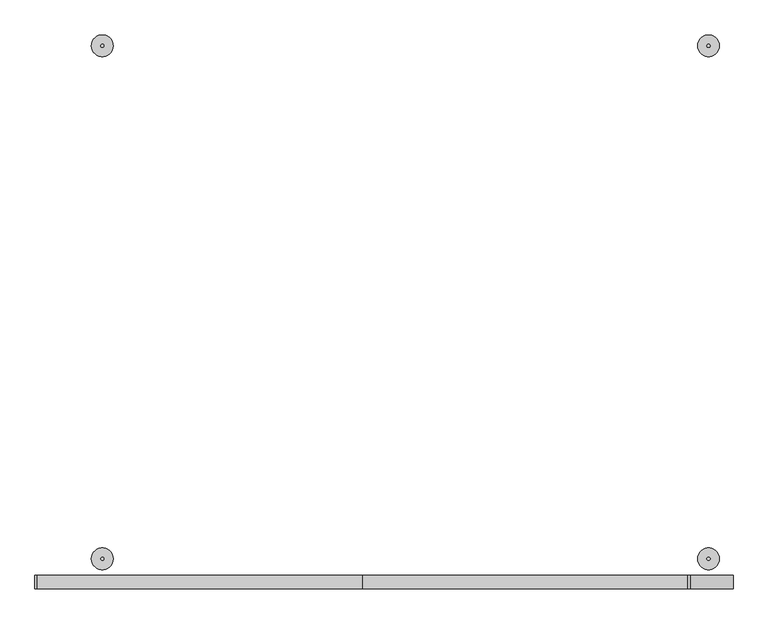
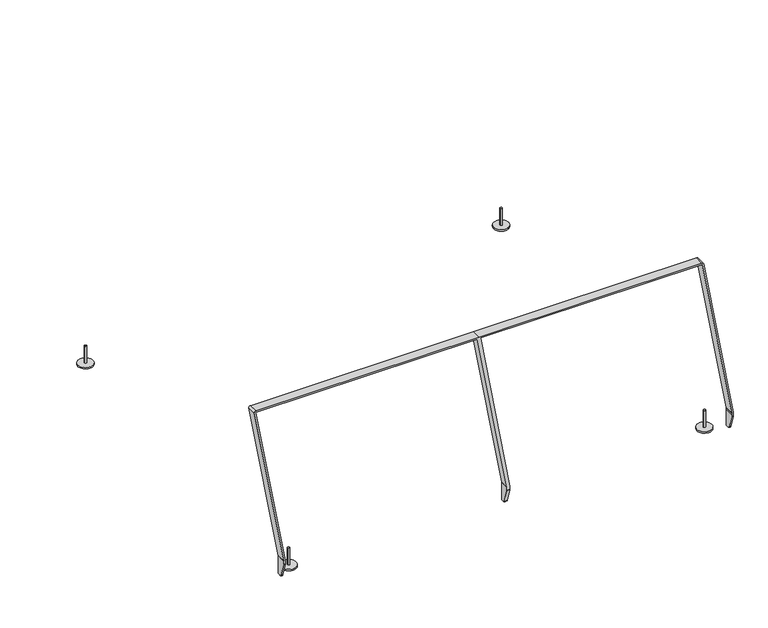
"""IFC4 building model written with IfcOpenShell, lengths in millimetres: furniture geometry."""

import ifcopenshell
import ifcopenshell.guid

model = None  # the IFC model being written
_history = None  # IfcOwnerHistory: only IFC2X3 demands one
_inside = {}  # id of a spatial element -> (the spatial element, [elements in it])
_under = {}  # id of a project, library or spatial element -> (it, [spatial elements below it])
_declared = {}  # id of a project -> (the project, [libraries it declares])
_typed = {}  # id of a type object -> (the type object, [elements of that type])
_made_of = {}  # id of a material, layer set ... -> (it, [elements and type objects made of it])


def new_model(schema):
    """Start an empty IFC model of exactly this schema.

    Asked for "IFC4X3", IfcOpenShell would pick the latest addendum, in which some entities
    have other attributes; the version numbers below select the first issue.
    IFC2X3 requires an IfcOwnerHistory on every rooted entity: one is made here for all.
    """
    global model, _history
    if schema == "IFC4X3":
        model = ifcopenshell.file(schema_version=(4, 3, 0, 0))
    else:
        model = ifcopenshell.file(schema=schema)
    _inside.clear()
    _under.clear()
    _declared.clear()
    _typed.clear()
    _made_of.clear()
    _history = None
    if model.schema == "IFC2X3":
        org = make("IfcOrganization", Name="unknown")
        user = make(
            "IfcPersonAndOrganization",
            ThePerson=make("IfcPerson", FamilyName="unknown"),
            TheOrganization=org,
        )
        app = make(
            "IfcApplication",
            ApplicationDeveloper=org,
            Version="unknown",
            ApplicationFullName="unknown",
            ApplicationIdentifier="unknown",
        )
        _history = make(
            "IfcOwnerHistory",
            OwningUser=user,
            OwningApplication=app,
            ChangeAction="ADDED",
            CreationDate=0,
        )
    return model


def make(cls, **values):
    """One entity of the class cls with the attributes given. An attribute that is None is left unset."""
    return model.create_entity(
        cls, **{name: value for name, value in values.items() if value is not None}
    )


def rooted(cls, **values):
    """An entity with a GlobalId (a new one), such as an element, a storey or a relation."""
    return make(cls, GlobalId=ifcopenshell.guid.new(), OwnerHistory=_history, **values)


def si_unit(unit_type, name, prefix=None):
    """IfcSIUnit, for example si_unit("LENGTHUNIT", "METRE", prefix="MILLI")."""
    return make("IfcSIUnit", UnitType=unit_type, Prefix=prefix, Name=name)


def assignment(units):
    """IfcUnitAssignment: the units of a project."""
    return None if units is None else make("IfcUnitAssignment", Units=units)


def point(xyz):
    """IfcCartesianPoint."""
    return None if xyz is None else make("IfcCartesianPoint", Coordinates=xyz)


def direction(xyz):
    """IfcDirection."""
    return None if xyz is None else make("IfcDirection", DirectionRatios=xyz)


def frame(location, z_axis=None, x_axis=None):
    """IfcAxis2Placement3D, a coordinate frame: its origin and axes. An axis left out is left unset."""
    return make(
        "IfcAxis2Placement3D",
        Location=point(location),
        Axis=direction(z_axis),
        RefDirection=direction(x_axis),
    )


def frame_2d(location, x_axis=None):
    """IfcAxis2Placement2D, a coordinate frame in the plane: its origin and x axis."""
    return make(
        "IfcAxis2Placement2D", Location=point(location), RefDirection=direction(x_axis)
    )


def origin():
    """The frame at (0, 0, 0) with its axes left unset."""
    return frame((0.0, 0.0, 0.0))


def origin_with_axes():
    """The frame at (0, 0, 0) with the z axis (0, 0, 1) and the x axis (1, 0, 0) written out."""
    return frame((0.0, 0.0, 0.0), z_axis=(0.0, 0.0, 1.0), x_axis=(1.0, 0.0, 0.0))


def place(relative_to, where):
    """IfcLocalPlacement: puts the frame where relative to a parent placement (None: the world)."""
    return make(
        "IfcLocalPlacement", PlacementRelTo=relative_to, RelativePlacement=where
    )


def context(
    kind, dimensions, precision=None, world=None, true_north=None, identifier=None
):
    """IfcGeometricRepresentationContext, for example the 3D "Model" context."""
    return make(
        "IfcGeometricRepresentationContext",
        ContextIdentifier=identifier,
        ContextType=kind,
        CoordinateSpaceDimension=dimensions,
        Precision=precision,
        WorldCoordinateSystem=world,
        TrueNorth=true_north,
    )


def project(units=None, contexts=None):
    """IfcProject with its units and contexts."""
    return rooted(
        "IfcProject",
        Name="project",
        RepresentationContexts=contexts,
        UnitsInContext=assignment(units),
    )


def spatial(cls, under=None, at=None, **own):
    """A site, building, storey or space (cls), placed at a placement, below another one or the project."""
    s = rooted(cls, ObjectPlacement=at, **own)
    if under is not None:
        _under.setdefault(under.id(), (under, []))[1].append(s)
    return s


def polyline(points):
    """IfcPolyline through the points."""
    return make("IfcPolyline", Points=[point(p) for p in points])


def circle_curve(where, radius):
    """IfcCircle in the frame where."""
    return make("IfcCircle", Position=where, Radius=radius)


def trimmed(basis, trim1, trim2, sense, master):
    """IfcTrimmedCurve: the piece of a basis curve between two trims."""
    return make(
        "IfcTrimmedCurve",
        BasisCurve=basis,
        Trim1=trim1,
        Trim2=trim2,
        SenseAgreement=sense,
        MasterRepresentation=master,
    )


def segment(curve, same_sense, transition):
    """IfcCompositeCurveSegment."""
    return make(
        "IfcCompositeCurveSegment",
        Transition=transition,
        SameSense=same_sense,
        ParentCurve=curve,
    )


def composite_curve(segments, self_intersect=None):
    """IfcCompositeCurve: segments joined end to end."""
    return make("IfcCompositeCurve", Segments=segments, SelfIntersect=self_intersect)


def outline(outer, holes=None, kind="AREA"):
    """IfcArbitraryClosedProfileDef: a profile drawn as a closed curve; with holes, ...WithVoids."""
    if holes is None:
        return make("IfcArbitraryClosedProfileDef", ProfileType=kind, OuterCurve=outer)
    return make(
        "IfcArbitraryProfileDefWithVoids",
        ProfileType=kind,
        OuterCurve=outer,
        InnerCurves=holes,
    )


def extrude(swept, where, along, depth):
    """IfcExtrudedAreaSolid: the profile swept, set in the frame where, extruded along a direction by depth."""
    return make(
        "IfcExtrudedAreaSolid",
        SweptArea=swept,
        Position=where,
        ExtrudedDirection=direction(along),
        Depth=depth,
    )


def shape(context_of_items, identifier, shape_type, items):
    """IfcShapeRepresentation: the items that make up one representation, for example the "Body"."""
    return make(
        "IfcShapeRepresentation",
        ContextOfItems=context_of_items,
        RepresentationIdentifier=identifier,
        RepresentationType=shape_type,
        Items=items,
    )


def source(mapping_origin, context_of_items, identifier, shape_type, items):
    """IfcRepresentationMap: a shape defined once, which mapped items show again and again."""
    return make(
        "IfcRepresentationMap",
        MappingOrigin=mapping_origin,
        MappedRepresentation=shape(context_of_items, identifier, shape_type, items),
    )


def transform(
    local_origin,
    x_axis=None,
    y_axis=None,
    z_axis=None,
    scale=None,
    scale2=None,
    scale3=None,
    uniform=True,
):
    """IfcCartesianTransformationOperator3D, or its non-uniform kind. x_axis, y_axis, z_axis: its Axis1, 2, 3."""
    if uniform:
        return make(
            "IfcCartesianTransformationOperator3D",
            Axis1=direction(x_axis),
            Axis2=direction(y_axis),
            LocalOrigin=point(local_origin),
            Scale=scale,
            Axis3=direction(z_axis),
        )
    return make(
        "IfcCartesianTransformationOperator3DnonUniform",
        Axis1=direction(x_axis),
        Axis2=direction(y_axis),
        LocalOrigin=point(local_origin),
        Scale=scale,
        Axis3=direction(z_axis),
        Scale2=scale2,
        Scale3=scale3,
    )


def mapped(mapping_source, mapping_target):
    """IfcMappedItem: shows the shape of a source again, moved by a transform."""
    return make(
        "IfcMappedItem", MappingSource=mapping_source, MappingTarget=mapping_target
    )


def made_of(thing, what):
    """Note that an element or type object is made of a material, layer set ...; save() writes the relation."""
    if what is not None:
        _made_of.setdefault(what.id(), (what, []))[1].append(thing)
    return thing


def element(
    cls,
    number,
    at=None,
    inside=None,
    cuts=None,
    type_object=None,
    material=None,
    context=None,
    identifier="Body",
    shape_type=None,
    held_by="IfcProductDefinitionShape",
    body=None,
    shapes=None,
    **own,
):
    """One element of the class cls, such as IfcWall. Its Tag is "e" and its number.

    at: its placement. inside: the storey or other place that contains it. cuts: it is an
    opening in that element (IfcRelVoidsElement). A single representation is given by context,
    identifier, shape_type and body (its items); several are given by shapes. held_by: the class
    of the entity that holds the representations. save() writes the other relations.
    """
    e = rooted(cls, Tag="e%d" % number, ObjectPlacement=at, **own)
    if body is not None:
        shapes = [shape(context, identifier, shape_type, body)]
    if shapes is not None:
        e.Representation = make(held_by, Representations=shapes)
    if inside is not None:
        _inside.setdefault(inside.id(), (inside, []))[1].append(e)
    if cuts is not None:
        rooted(
            "IfcRelVoidsElement", RelatingBuildingElement=cuts, RelatedOpeningElement=e
        )
    if type_object is not None:
        _typed.setdefault(type_object.id(), (type_object, []))[1].append(e)
    return made_of(e, material)


def aggregate(whole, parts):
    """IfcRelAggregates: a whole, such as a stair, and the parts it consists of."""
    return rooted("IfcRelAggregates", RelatingObject=whole, RelatedObjects=parts)


def save(model, path):
    """Write the relations noted so far, then the file.

    IfcRelAggregates (storeys below a building ...), IfcRelContainedInSpatialStructure (elements
    in a storey), IfcRelDefinesByType, IfcRelAssociatesMaterial and IfcRelDeclares: one each for
    every whole, place, type object, material and project.
    """
    for whole, parts in _under.values():
        aggregate(whole, parts)
    for where, things in _inside.values():
        rooted(
            "IfcRelContainedInSpatialStructure",
            RelatedElements=things,
            RelatingStructure=where,
        )
    for kind, things in _typed.values():
        rooted("IfcRelDefinesByType", RelatedObjects=things, RelatingType=kind)
    for what, things in _made_of.values():
        rooted("IfcRelAssociatesMaterial", RelatedObjects=things, RelatingMaterial=what)
    for by, libraries in _declared.values():
        rooted("IfcRelDeclares", RelatingContext=by, RelatedDefinitions=libraries)
    model.write(path)


def plane_surface(at):
    """IfcPlane: the flat surface through the origin of the frame at, square to its z axis."""
    return make("IfcPlane", Position=at)


def cylinder_surface(at, radius):
    """IfcCylindricalSurface: all points at the distance radius from the z axis of the frame at."""
    return make("IfcCylindricalSurface", Position=at, Radius=radius)


def revolved_surface(curve, axis_point, axis_direction):
    """IfcSurfaceOfRevolution: the curve turned about the line through axis_point along axis_direction."""
    return make(
        "IfcSurfaceOfRevolution",
        SweptCurve=make("IfcArbitraryOpenProfileDef", ProfileType="CURVE", Curve=curve),
        AxisPosition=make("IfcAxis1Placement", Location=point(axis_point), Axis=direction(axis_direction)),
    )


def advanced_brep(points, edges, surfaces, faces):
    """IfcAdvancedBrep: a solid bounded by faces that lie on surfaces and meet in shared edges.

    An edge is (start, end): straight between two places in points (the first is 0);
    or (start, end, curve); or (start, end, curve, False) where it runs against its curve.
    A face is (place in surfaces, loops), or (place, loops, False) where it looks against
    its surface's normal. A loop lists edges by number (the first is 1), with a minus sign
    where the edge is run from its end to its start. The first loop is the outer one.
    """
    corners = [point(p) for p in points]
    vertices = [make("IfcVertexPoint", VertexGeometry=c) for c in corners]
    made = []
    for start, end, *more in edges:
        made.append(
            make(
                "IfcEdgeCurve",
                EdgeStart=vertices[start],
                EdgeEnd=vertices[end],
                EdgeGeometry=more[0] if more else make("IfcPolyline", Points=[corners[start], corners[end]]),
                SameSense=more[1] if len(more) > 1 else True,
            )
        )
    hull = []
    for where, loops, *sense in faces:
        bounds = []
        for j, loop in enumerate(loops):
            ring = [make("IfcOrientedEdge", EdgeElement=made[abs(k) - 1], Orientation=k > 0) for k in loop]
            bounds.append(
                make(
                    "IfcFaceOuterBound" if j == 0 else "IfcFaceBound",
                    Bound=make("IfcEdgeLoop", EdgeList=ring),
                    Orientation=True,
                )
            )
        hull.append(make("IfcAdvancedFace", Bounds=bounds, FaceSurface=surfaces[where], SameSense=sense[0] if sense else True))
    return make("IfcAdvancedBrep", Outer=make("IfcClosedShell", CfsFaces=hull))


def furniture_75eca39f(model_context):
    return source(origin(), model_context, "Body", "SolidModel", [
        advanced_brep(
        [(-1191.8516588, -1050.0129851, 125.3875338), (-1191.9578235, -1050.0129851, 126.6010018), (-1348.8000739, -1050.0129851, 1016.0976054), (-1347.7911451, -1050.0129851, 1017.3), (-166.0914842, -1050.0129851, 1017.3), (-165.1143401, -1050.0129851, 1016.4800787), (-7.9248581, -1050.0129851, 125.0142275), (-7.8518346, -1050.0129851, 124.1795652), (-7.8518346, -1050.0129851, 115.3), (-7.8518346, -1050.0129851, 106.8261092), (8.0001759, -1050.0129851, 106.8261092), (8.0001759, -1050.0129851, 115.3), (8.0001759, -1050.0129851, 125.3875338), (7.8940112, -1050.0129851, 126.6010018), (-148.9482393, -1050.0129851, 1016.0976054), (-147.9393104, -1050.0129851, 1017.3), (1033.7603504, -1050.0129851, 1017.3), (1034.7374946, -1050.0129851, 1016.4800787), (1191.9269765, -1050.0129851, 125.0142275), (1192.0, -1050.0129851, 124.1795652), (1192.0, -1050.0129851, 115.3), (1192.0, -1050.0129851, 106.8261092), (1199.9999759, -1050.0129851, 106.8261092), (1199.9999759, -1050.0129851, 115.3), (1199.9999759, -1050.0129851, 124.3346382), (1199.8323188, -1050.0129851, 126.2509671), (1042.6119239, -1050.0129851, 1017.8921345), (1033.7835736, -1050.0129851, 1025.3), (-158.9026224, -1050.0129851, 1025.3), (-1347.8411199, -1050.0129851, 1025.3), (-1356.687214, -1050.0129851, 1014.7576355), (-1200.0702365, -1050.0129851, 126.5386183), (-1199.9998, -1050.0129851, 125.7335261), (-1199.9998, -1050.0129851, 115.3), (-1199.9998, -1050.0129851, 106.8261092), (-1191.8516588, -1050.0129851, 106.8261092), (-1191.8516588, -1050.0129851, 115.3), (-1199.9998, -1000.0129851, 25.3), (-1199.9998, -1000.0129851, 125.7335261), (-1200.0702365, -1000.0129851, 126.5386183), (-1356.687214, -1000.0129851, 1014.7576355), (-1347.8411199, -1000.0129851, 1025.3), (-158.9026224, -1000.0129851, 1025.3), (1033.7835736, -1000.0129851, 1025.3), (1042.6119239, -1000.0129851, 1017.8921345), (1199.8323188, -1000.0129851, 126.2509671), (1199.9999759, -1000.0129851, 124.3346382), (1199.9999759, -1000.0129851, 115.3), (1199.9999759, -1000.0129851, 25.3), (1192.0, -1000.0129851, 25.3), (1192.0, -1000.0129851, 115.3), (1192.0, -1000.0129851, 124.1795652), (1191.9269765, -1000.0129851, 125.0142275), (1034.7374946, -1000.0129851, 1016.4800787), (1033.7603504, -1000.0129851, 1017.3), (-147.9393104, -1000.0129851, 1017.3), (-148.9482393, -1000.0129851, 1016.0976054), (7.8940112, -1000.0129851, 126.6010018), (8.0001759, -1000.0129851, 125.3875338), (8.0001759, -1000.0129851, 115.3), (8.0001759, -1000.0129851, 25.3), (0.0, -1000.0129851, 25.3), (-7.8518346, -1000.0129851, 25.3), (-7.8518346, -1000.0129851, 124.1795652), (-7.9248581, -1000.0129851, 125.0142275), (-165.1143401, -1000.0129851, 1016.4800787), (-166.0914842, -1000.0129851, 1017.3), (-1347.7911451, -1000.0129851, 1017.3), (-1348.8000739, -1000.0129851, 1016.0976054), (-1191.9578235, -1000.0129851, 126.6010018), (-1191.8516588, -1000.0129851, 125.3875338), (-1191.8516588, -1000.0129851, 25.3), (-1191.8516588, -1008.0129851, 25.3), (-1191.8516588, -1019.1314577, 25.3), (-1199.9998, -1019.1314577, 25.3), (-1199.9998, -1008.0129851, 25.3), (-1191.8516588, -1049.5577848, 103.8433593), (-1191.8516588, -1026.7672976, 30.9138001), (-7.8518346, -1008.0129851, 25.3), (-7.8518346, -1019.1314577, 25.3), (-7.8518346, -1026.7672976, 30.9138001), (-7.8518346, -1049.5577848, 103.8433593), (0.0, -1008.0129851, 25.3), (0.0, -1019.1314577, 25.3), (-1199.9998, -1026.7672976, 30.9138001), (-1199.9998, -1049.5577848, 103.8433593), (8.0001759, -1026.7672976, 30.9138001), (8.0001759, -1049.5577848, 103.8433593), (1192.0, -1026.7672976, 30.9138001), (1199.9999759, -1026.7672976, 30.9138001), (1199.9999759, -1049.5577848, 103.8433593), (1192.0, -1049.5577848, 103.8433593), (8.0001759, -1019.1314577, 25.3), (1192.0, -1019.1314577, 25.3), (1199.9999759, -1019.1314577, 25.3), (8.0001759, -1008.0129851, 25.3), (1192.0, -1008.0129851, 25.3), (1199.9999759, -1008.0129851, 25.3)],
        [
            (0, 1, circle_curve(frame((-1198.8397427, -1050.0129851, 125.3875338), z_axis=(0.0, -1.0, 0.0), x_axis=(1.0, 0.0, 0.0)), 6.9880839)),
            (1, 2),
            (2, 3, circle_curve(frame((-1347.7911451, -1050.0129851, 1016.2755068), z_axis=(0.0, 1.0, 0.0), x_axis=(1.0, 0.0, 0.0)), 1.0244932)),
            (3, 4),
            (4, 5, circle_curve(frame((-166.0914842, -1050.0129851, 1016.3077818), z_axis=(0.0, 1.0, 0.0), x_axis=(1.0, 0.0, 0.0)), 0.9922182)),
            (5, 6),
            (6, 7, circle_curve(frame((-12.6584634, -1050.0129851, 124.1795652), z_axis=(0.0, 1.0, 0.0), x_axis=(1.0, 0.0, 0.0)), 4.8066287)),
            (7, 8),
            (8, 9),
            (9, 10),
            (10, 11),
            (11, 12),
            (12, 13, circle_curve(frame((1.012092, -1050.0129851, 125.3875338), z_axis=(0.0, -1.0, 0.0), x_axis=(1.0, 0.0, 0.0)), 6.9880839)),
            (13, 14),
            (14, 15, circle_curve(frame((-147.9393104, -1050.0129851, 1016.2755068), z_axis=(0.0, 1.0, 0.0), x_axis=(1.0, 0.0, 0.0)), 1.0244932)),
            (15, 16),
            (16, 17, circle_curve(frame((1033.7603504, -1050.0129851, 1016.3077818), z_axis=(0.0, 1.0, 0.0), x_axis=(1.0, 0.0, 0.0)), 0.9922182)),
            (17, 18),
            (18, 19, circle_curve(frame((1187.1933713, -1050.0129851, 124.1795652), z_axis=(0.0, 1.0, 0.0), x_axis=(1.0, 0.0, 0.0)), 4.8066287)),
            (19, 20),
            (20, 21),
            (21, 22),
            (22, 23),
            (23, 24),
            (24, 25, circle_curve(frame((1188.9642775, -1050.0129851, 124.3346382), z_axis=(0.0, -1.0, 0.0), x_axis=(1.0, 0.0, 0.0)), 11.0356984)),
            (25, 26),
            (26, 27, circle_curve(frame((1033.7835736, -1050.0129851, 1016.3354582), z_axis=(0.0, -1.0, 0.0), x_axis=(1.0, 0.0, 0.0)), 8.9645418)),
            (27, 28),
            (28, 29),
            (29, 30, circle_curve(frame((-1347.8411199, -1050.0129851, 1016.3174406), z_axis=(0.0, -1.0, 0.0), x_axis=(1.0, 0.0, 0.0)), 8.9825594)),
            (30, 31),
            (31, 32, circle_curve(frame((-1204.6361413, -1050.0129851, 125.7335261), z_axis=(0.0, 1.0, 0.0), x_axis=(1.0, 0.0, 0.0)), 4.6363412)),
            (32, 33),
            (33, 34),
            (34, 35),
            (35, 36),
            (36, 0),
            (37, 38),
            (38, 39, circle_curve(frame((-1204.6361413, -1000.0129851, 125.7335261), z_axis=(0.0, -1.0, 0.0), x_axis=(1.0, 0.0, 0.0)), 4.6363412)),
            (39, 40),
            (40, 41, circle_curve(frame((-1347.8411199, -1000.0129851, 1016.3174406), z_axis=(0.0, 1.0, 0.0), x_axis=(1.0, 0.0, 0.0)), 8.9825594)),
            (41, 42),
            (42, 43),
            (43, 44, circle_curve(frame((1033.7835736, -1000.0129851, 1016.3354582), z_axis=(0.0, 1.0, 0.0), x_axis=(1.0, 0.0, 0.0)), 8.9645418)),
            (44, 45),
            (45, 46, circle_curve(frame((1188.9642775, -1000.0129851, 124.3346382), z_axis=(0.0, 1.0, 0.0), x_axis=(1.0, 0.0, 0.0)), 11.0356984)),
            (46, 47),
            (47, 48),
            (48, 49),
            (49, 50),
            (50, 51),
            (51, 52, circle_curve(frame((1187.1933713, -1000.0129851, 124.1795652), z_axis=(0.0, -1.0, 0.0), x_axis=(1.0, 0.0, 0.0)), 4.8066287)),
            (52, 53),
            (53, 54, circle_curve(frame((1033.7603504, -1000.0129851, 1016.3077818), z_axis=(0.0, -1.0, 0.0), x_axis=(1.0, 0.0, 0.0)), 0.9922182)),
            (54, 55),
            (55, 56, circle_curve(frame((-147.9393104, -1000.0129851, 1016.2755068), z_axis=(0.0, -1.0, 0.0), x_axis=(1.0, 0.0, 0.0)), 1.0244932)),
            (56, 57),
            (57, 58, circle_curve(frame((1.012092, -1000.0129851, 125.3875338), z_axis=(0.0, 1.0, 0.0), x_axis=(1.0, 0.0, 0.0)), 6.9880839)),
            (58, 59),
            (59, 60),
            (60, 61),
            (61, 62),
            (62, 63),
            (63, 64, circle_curve(frame((-12.6584634, -1000.0129851, 124.1795652), z_axis=(0.0, -1.0, 0.0), x_axis=(1.0, 0.0, 0.0)), 4.8066287)),
            (64, 65),
            (65, 66, circle_curve(frame((-166.0914842, -1000.0129851, 1016.3077818), z_axis=(0.0, -1.0, 0.0), x_axis=(1.0, 0.0, 0.0)), 0.9922182)),
            (66, 67),
            (67, 68, circle_curve(frame((-1347.7911451, -1000.0129851, 1016.2755068), z_axis=(0.0, -1.0, 0.0), x_axis=(1.0, 0.0, 0.0)), 1.0244932)),
            (68, 69),
            (69, 70, circle_curve(frame((-1198.8397427, -1000.0129851, 125.3875338), z_axis=(0.0, 1.0, 0.0), x_axis=(1.0, 0.0, 0.0)), 6.9880839)),
            (70, 71),
            (71, 37),
            (71, 72),
            (72, 73),
            (73, 74),
            (74, 75),
            (75, 37),
            (70, 0),
            (35, 76, circle_curve(frame((-1191.8516588, -1040.0129851, 106.8261092), z_axis=(1.0, 0.0, 0.0), x_axis=(0.0, -1.0, 0.0)), 10.0)),
            (76, 77),
            (77, 73, circle_curve(frame((-1191.8516588, -1019.1314577, 33.3), z_axis=(1.0, 0.0, 0.0), x_axis=(0.0, -1.0, 0.0)), 8.0)),
            (69, 1),
            (68, 2),
            (67, 3),
            (66, 4),
            (65, 5),
            (64, 6),
            (63, 7),
            (62, 78),
            (78, 79),
            (79, 80, circle_curve(frame((-7.8518346, -1019.1314577, 33.3), z_axis=(-1.0, 0.0, 0.0), x_axis=(0.0, -1.0, 0.0)), 8.0)),
            (80, 81),
            (81, 9, circle_curve(frame((-7.8518346, -1040.0129851, 106.8261092), z_axis=(-1.0, 0.0, 0.0), x_axis=(0.0, -1.0, 0.0)), 10.0)),
            (61, 82),
            (82, 83),
            (83, 79),
            (28, 42),
            (41, 29),
            (40, 30),
            (39, 31),
            (38, 32),
            (74, 84, circle_curve(frame((-1199.9998, -1019.1314577, 33.3), z_axis=(-1.0, 0.0, 0.0), x_axis=(0.0, -1.0, 0.0)), 8.0)),
            (84, 85),
            (85, 34, circle_curve(frame((-1199.9998, -1040.0129851, 106.8261092), z_axis=(-1.0, 0.0, 0.0), x_axis=(0.0, -1.0, 0.0)), 10.0)),
            (80, 86),
            (86, 87),
            (87, 81),
            (84, 77),
            (76, 85),
            (88, 89),
            (89, 90),
            (90, 91),
            (91, 88),
            (87, 10, circle_curve(frame((8.0001759, -1040.0129851, 106.8261092), z_axis=(-1.0, 0.0, 0.0), x_axis=(0.0, -1.0, 0.0)), 10.0)),
            (90, 22, circle_curve(frame((1199.9999759, -1040.0129851, 106.8261092), z_axis=(-1.0, 0.0, 0.0), x_axis=(0.0, -1.0, 0.0)), 10.0)),
            (21, 91, circle_curve(frame((1192.0, -1040.0129851, 106.8261092), z_axis=(1.0, 0.0, 0.0), x_axis=(0.0, -1.0, 0.0)), 10.0)),
            (83, 92),
            (92, 86, circle_curve(frame((8.0001759, -1019.1314577, 33.3), z_axis=(-1.0, 0.0, 0.0), x_axis=(0.0, -1.0, 0.0)), 8.0)),
            (88, 93, circle_curve(frame((1192.0, -1019.1314577, 33.3), z_axis=(1.0, 0.0, 0.0), x_axis=(0.0, -1.0, 0.0)), 8.0)),
            (93, 94),
            (94, 89, circle_curve(frame((1199.9999759, -1019.1314577, 33.3), z_axis=(-1.0, 0.0, 0.0), x_axis=(0.0, -1.0, 0.0)), 8.0)),
            (60, 95),
            (95, 92),
            (59, 11),
            (58, 12),
            (57, 13),
            (56, 14),
            (55, 15),
            (54, 16),
            (53, 17),
            (52, 18),
            (51, 19),
            (50, 20),
            (49, 96),
            (96, 93),
            (48, 97),
            (97, 94),
            (47, 23),
            (46, 24),
            (45, 25),
            (44, 26),
            (43, 27),
        ],
        [
            plane_surface(frame((-1199.8518346, -1050.0129851, 25.3), z_axis=(0.0, -1.0, 0.0), x_axis=(1.0, 0.0, 0.0))),
            plane_surface(frame((-1199.8518346, -1000.0129851, 25.3), z_axis=(0.0, 1.0, 0.0), x_axis=(-1.0, 0.0, 0.0))),
            plane_surface(frame((-1199.9998, -1050.0129851, 25.3), z_axis=(0.0, 0.0, -1.0), x_axis=(0.0, 1.0, 0.0))),
            plane_surface(frame((-1191.8516588, -1050.0129851, 25.3), z_axis=(1.0, 0.0, 0.0), x_axis=(0.0, 1.0, 0.0))),
            cylinder_surface(frame((-1198.8397427, -1000.0129851, 125.3875338), z_axis=(0.0, -1.0, 0.0), x_axis=(1.0, 0.0, 0.0)), 6.9880839),
            plane_surface(frame((-1191.9578235, -1050.0129851, 126.6010018), z_axis=(0.9848077530122125, 0.0, 0.1736481776669056), x_axis=(0.0, 1.0, 0.0))),
            revolved_surface(polyline([(-1346.7666519, -1000.0129851, 1016.2755068), (-1346.7666519, -1050.0129851, 1016.2755068)]), (-1347.7911451, -1000.0129851, 1016.2755068), (0.0, 1.0, 0.0)),
            plane_surface(frame((-1347.7911451, -1050.0129851, 1017.3), z_axis=(0.0, 0.0, -1.0), x_axis=(0.0, 1.0, 0.0))),
            revolved_surface(polyline([(-165.099266, -1000.0129851, 1016.3077818), (-165.099266, -1050.0129851, 1016.3077818)]), (-166.0914842, -1000.0129851, 1016.3077818), (0.0, 1.0, 0.0)),
            plane_surface(frame((-165.1143401, -1050.0129851, 1016.4800787), z_axis=(-0.9848077530122075, 0.0, -0.17364817766693413), x_axis=(0.0, 1.0, 0.0))),
            revolved_surface(polyline([(-7.8518347, -1000.0129851, 124.1795652), (-7.8518347, -1050.0129851, 124.1795652)]), (-12.6584634, -1000.0129851, 124.1795652), (0.0, 1.0, 0.0)),
            plane_surface(frame((-7.8518346, -1050.0129851, 124.1795652), z_axis=(-1.0, 0.0, 0.0), x_axis=(0.0, 1.0, 0.0))),
            plane_surface(frame((-7.8518346, -1050.0129851, 25.3), z_axis=(0.0, 0.0, -1.0), x_axis=(0.0, 1.0, 0.0))),
            plane_surface(frame((-158.9026224, -1050.0129851, 1025.3), z_axis=(0.0, 0.0, 1.0), x_axis=(0.0, 1.0, 0.0))),
            cylinder_surface(frame((-1347.8411199, -1000.0129851, 1016.3174406), z_axis=(0.0, -1.0, 0.0), x_axis=(1.0, 0.0, 0.0)), 8.9825594),
            plane_surface(frame((-1356.687214, -1050.0129851, 1014.7576355), z_axis=(-0.9848077530122125, 0.0, -0.1736481776669056), x_axis=(0.0, 1.0, 0.0))),
            revolved_surface(polyline([(-1199.9998001, -1000.0129851, 125.7335261), (-1199.9998001, -1050.0129851, 125.7335261)]), (-1204.6361413, -1000.0129851, 125.7335261), (0.0, 1.0, 0.0)),
            plane_surface(frame((-1199.9998, -1050.0129851, 125.7335261), z_axis=(-1.0, 0.0, 0.0), x_axis=(0.0, 1.0, 0.0))),
            plane_surface(frame((1381.8729271, -1026.7672976, 30.9138001), z_axis=(0.0, -0.9544799780350454, -0.298274993135897), x_axis=(-1.0, 0.0, 0.0))),
            cylinder_surface(frame((-1263.985035, -1040.0129851, 106.8261092), z_axis=(-1.0, 0.0, 0.0), x_axis=(0.0, -1.0, 0.0)), 10.0),
            cylinder_surface(frame((-1263.985035, -1019.1314577, 33.3), z_axis=(-1.0, 0.0, 0.0), x_axis=(0.0, -1.0, 0.0)), 8.0),
            plane_surface(frame((0.0, -1050.0129851, 25.3), z_axis=(0.0, 0.0, -1.0), x_axis=(0.0, 1.0, 0.0))),
            plane_surface(frame((8.0001759, -1050.0129851, 25.3), z_axis=(1.0, 0.0, 0.0), x_axis=(0.0, 1.0, 0.0))),
            plane_surface(frame((8.0001759, -1050.0129851, 115.3), z_axis=(1.0, 0.0, 0.0), x_axis=(0.0, 1.0, 0.0))),
            cylinder_surface(frame((1.012092, -1000.0129851, 125.3875338), z_axis=(0.0, -1.0, 0.0), x_axis=(1.0, 0.0, 0.0)), 6.9880839),
            plane_surface(frame((7.8940112, -1050.0129851, 126.6010018), z_axis=(0.9848077530122125, 0.0, 0.17364817766690568), x_axis=(0.0, 1.0, 0.0))),
            revolved_surface(polyline([(-146.91481720000002, -1000.0129851, 1016.2755068), (-146.91481720000002, -1050.0129851, 1016.2755068)]), (-147.9393104, -1000.0129851, 1016.2755068), (0.0, 1.0, 0.0)),
            plane_surface(frame((-147.9393104, -1050.0129851, 1017.3), z_axis=(0.0, 0.0, -1.0), x_axis=(0.0, 1.0, 0.0))),
            revolved_surface(polyline([(1034.7525686000001, -1000.0129851, 1016.3077818), (1034.7525686000001, -1050.0129851, 1016.3077818)]), (1033.7603504, -1000.0129851, 1016.3077818), (0.0, 1.0, 0.0)),
            plane_surface(frame((1034.7374946, -1050.0129851, 1016.4800787), z_axis=(-0.9848077530122075, 0.0, -0.1736481776669343), x_axis=(0.0, 1.0, 0.0))),
            revolved_surface(polyline([(1192.0, -1000.0129851, 124.1795652), (1192.0, -1050.0129851, 124.1795652)]), (1187.1933713, -1000.0129851, 124.1795652), (0.0, 1.0, 0.0)),
            plane_surface(frame((1192.0, -1050.0129851, 124.1795652), z_axis=(-1.0, 0.0, 0.0), x_axis=(0.0, 1.0, 0.0))),
            plane_surface(frame((1192.0, -1050.0129851, 115.3), z_axis=(-1.0, 0.0, 0.0), x_axis=(0.0, 1.0, 0.0))),
            plane_surface(frame((1192.0, -1050.0129851, 25.3), z_axis=(0.0, 0.0, -1.0), x_axis=(0.0, 1.0, 0.0))),
            plane_surface(frame((1199.9999759, -1050.0129851, 25.3), z_axis=(1.0, 0.0, 0.0), x_axis=(0.0, 1.0, 0.0))),
            plane_surface(frame((1199.9999759, -1050.0129851, 115.3), z_axis=(1.0, 0.0, 0.0), x_axis=(0.0, 1.0, 0.0))),
            cylinder_surface(frame((1188.9642775, -1000.0129851, 124.3346382), z_axis=(0.0, -1.0, 0.0), x_axis=(1.0, 0.0, 0.0)), 11.0356984),
            plane_surface(frame((1199.8323188, -1050.0129851, 126.2509671), z_axis=(0.9848077530122075, 0.0, 0.1736481776669341), x_axis=(0.0, 1.0, 0.0))),
            cylinder_surface(frame((1033.7835736, -1000.0129851, 1016.3354582), z_axis=(0.0, -1.0, 0.0), x_axis=(1.0, 0.0, 0.0)), 8.9645418),
            plane_surface(frame((1033.7835736, -1050.0129851, 1025.3), z_axis=(0.0, 0.0, 1.0), x_axis=(0.0, 1.0, 0.0))),
        ],
        [
            (0, [[1, 2, 3, 4, 5, 6, 7, 8, 9, 10, 11, 12, 13, 14, 15, 16, 17, 18, 19, 20, 21, 22, 23, 24, 25, 26, 27, 28, 29, 30, 31, 32, 33, 34, 35, 36, 37]]),
            (1, [[38, 39, 40, 41, 42, 43, 44, 45, 46, 47, 48, 49, 50, 51, 52, 53, 54, 55, 56, 57, 58, 59, 60, 61, 62, 63, 64, 65, 66, 67, 68, 69, 70, 71, 72]]),
            (2, [[-72, 73, 74, 75, 76, 77]]),
            (3, [[-71, 78, -37, -36, 79, 80, 81, -74, -73]]),
            (4, [[-1, -78, -70, 82]]),
            (5, [[-2, -82, -69, 83]]),
            (6, [[-3, -83, -68, 84]]),
            (7, [[-4, -84, -67, 85]]),
            (8, [[-5, -85, -66, 86]]),
            (9, [[-6, -86, -65, 87]]),
            (10, [[-7, -87, -64, 88]]),
            (11, [[-63, 89, 90, 91, 92, 93, -9, -8, -88]]),
            (12, [[-62, 94, 95, 96, -90, -89]]),
            (13, [[-29, 97, -42, 98]]),
            (14, [[-30, -98, -41, 99]]),
            (15, [[-31, -99, -40, 100]]),
            (16, [[-32, -100, -39, 101]]),
            (17, [[-38, -77, -76, 102, 103, 104, -34, -33, -101]]),
            (18, [[105, 106, 107, -92]]),
            (18, [[108, -80, 109, -103]]),
            (18, [[110, 111, 112, 113]]),
            (19, [[-107, 114, -10, -93]]),
            (19, [[-109, -79, -35, -104]]),
            (19, [[-112, 115, -22, 116]]),
            (20, [[-105, -91, -96, 117, 118]]),
            (20, [[-108, -102, -75, -81]]),
            (20, [[-110, 119, 120, 121]]),
            (21, [[-61, 122, 123, -117, -95, -94]]),
            (22, [[-60, 124, -11, -114, -106, -118, -123, -122]]),
            (23, [[-12, -124, -59, 125]]),
            (24, [[-13, -125, -58, 126]]),
            (25, [[-14, -126, -57, 127]]),
            (26, [[-15, -127, -56, 128]]),
            (27, [[-16, -128, -55, 129]]),
            (28, [[-17, -129, -54, 130]]),
            (29, [[-18, -130, -53, 131]]),
            (30, [[-19, -131, -52, 132]]),
            (31, [[-20, -132, -51, 133]]),
            (32, [[-50, 134, 135, -119, -113, -116, -21, -133]]),
            (33, [[-49, 136, 137, -120, -135, -134]]),
            (34, [[-48, 138, -23, -115, -111, -121, -137, -136]]),
            (35, [[-24, -138, -47, 139]]),
            (36, [[-25, -139, -46, 140]]),
            (37, [[-26, -140, -45, 141]]),
            (38, [[-27, -141, -44, 142]]),
            (39, [[-28, -142, -43, -97]]),
        ],
    ),
        extrude(outline(composite_curve([segment(trimmed(circle_curve(frame_2d((1109.9882666, 939.9870149)), 40.0), [point((1149.9882666, 939.9870149))], [point((1069.9882666, 939.9870149))], False, "CARTESIAN"), True, "CONTINUOUS"), segment(trimmed(circle_curve(frame_2d((1109.9882666, 939.9870149)), 40.0), [point((1069.9882666, 939.9870149))], [point((1149.9882666, 939.9870149))], False, "CARTESIAN"), True, "CONTINUOUS")], self_intersect=False)), origin_with_axes(), (0.0, 0.0, 1.0), 8.0),
        extrude(outline(composite_curve([segment(trimmed(circle_curve(frame_2d((1109.9882666, 939.9870149)), 5.8385242), [point((1115.8267908, 939.9870149))], [point((1104.1497425, 939.9870149))], False, "CARTESIAN"), True, "CONTINUOUS"), segment(trimmed(circle_curve(frame_2d((1109.9882666, 939.9870149)), 5.8385242), [point((1104.1497425, 939.9870149))], [point((1115.8267908, 939.9870149))], False, "CARTESIAN"), True, "CONTINUOUS")], self_intersect=False)), frame((0.0, 0.0, 8.0), z_axis=(0.0, 0.0, 1.0), x_axis=(1.0, 0.0, 0.0)), (0.0, 0.0, 1.0), 95.0),
        extrude(outline(composite_curve([segment(trimmed(circle_curve(frame_2d((1109.9882666, -939.9870149)), 40.0), [point((1149.9882666, -939.9870149))], [point((1069.9882666, -939.9870149))], False, "CARTESIAN"), True, "CONTINUOUS"), segment(trimmed(circle_curve(frame_2d((1109.9882666, -939.9870149)), 40.0), [point((1069.9882666, -939.9870149))], [point((1149.9882666, -939.9870149))], False, "CARTESIAN"), True, "CONTINUOUS")], self_intersect=False)), origin_with_axes(), (0.0, 0.0, 1.0), 8.0),
        extrude(outline(composite_curve([segment(trimmed(circle_curve(frame_2d((1109.9882666, -939.9870149)), 5.8385242), [point((1115.8267908, -939.9870149))], [point((1104.1497425, -939.9870149))], False, "CARTESIAN"), True, "CONTINUOUS"), segment(trimmed(circle_curve(frame_2d((1109.9882666, -939.9870149)), 5.8385242), [point((1104.1497425, -939.9870149))], [point((1115.8267908, -939.9870149))], False, "CARTESIAN"), True, "CONTINUOUS")], self_intersect=False)), frame((0.0, 0.0, 8.0), z_axis=(0.0, 0.0, 1.0), x_axis=(1.0, 0.0, 0.0)), (0.0, 0.0, 1.0), 95.0),
        extrude(outline(composite_curve([segment(trimmed(circle_curve(frame_2d((-1109.9882666, 939.9870149)), 40.0), [point((-1149.9882666, 939.9870149))], [point((-1069.9882666, 939.9870149))], False, "CARTESIAN"), True, "CONTINUOUS"), segment(trimmed(circle_curve(frame_2d((-1109.9882666, 939.9870149)), 40.0), [point((-1069.9882666, 939.9870149))], [point((-1149.9882666, 939.9870149))], False, "CARTESIAN"), True, "CONTINUOUS")], self_intersect=False)), origin_with_axes(), (0.0, 0.0, 1.0), 8.0),
        extrude(outline(composite_curve([segment(trimmed(circle_curve(frame_2d((-1109.9882666, 939.9870149)), 5.8385242), [point((-1115.8267908, 939.9870149))], [point((-1104.1497425, 939.9870149))], False, "CARTESIAN"), True, "CONTINUOUS"), segment(trimmed(circle_curve(frame_2d((-1109.9882666, 939.9870149)), 5.8385242), [point((-1104.1497425, 939.9870149))], [point((-1115.8267908, 939.9870149))], False, "CARTESIAN"), True, "CONTINUOUS")], self_intersect=False)), frame((0.0, 0.0, 8.0), z_axis=(0.0, 0.0, 1.0), x_axis=(1.0, 0.0, 0.0)), (0.0, 0.0, 1.0), 95.0),
        extrude(outline(composite_curve([segment(trimmed(circle_curve(frame_2d((-1109.9882666, -939.9870149)), 40.0), [point((-1149.9882666, -939.9870149))], [point((-1069.9882666, -939.9870149))], False, "CARTESIAN"), True, "CONTINUOUS"), segment(trimmed(circle_curve(frame_2d((-1109.9882666, -939.9870149)), 40.0), [point((-1069.9882666, -939.9870149))], [point((-1149.9882666, -939.9870149))], False, "CARTESIAN"), True, "CONTINUOUS")], self_intersect=False)), origin_with_axes(), (0.0, 0.0, 1.0), 8.0),
        extrude(outline(composite_curve([segment(trimmed(circle_curve(frame_2d((-1109.9882666, -939.9870149)), 5.8385242), [point((-1115.8267908, -939.9870149))], [point((-1104.1497425, -939.9870149))], False, "CARTESIAN"), True, "CONTINUOUS"), segment(trimmed(circle_curve(frame_2d((-1109.9882666, -939.9870149)), 5.8385242), [point((-1104.1497425, -939.9870149))], [point((-1115.8267908, -939.9870149))], False, "CARTESIAN"), True, "CONTINUOUS")], self_intersect=False)), frame((0.0, 0.0, 8.0), z_axis=(0.0, 0.0, 1.0), x_axis=(1.0, 0.0, 0.0)), (0.0, 0.0, 1.0), 95.0),
    ])


if __name__ == "__main__":
    model = new_model("IFC4")
    model_context = context("Model", 3, world=origin())
    ifc_project = project(units=[si_unit("LENGTHUNIT", "METRE", prefix="MILLI")], contexts=[model_context])
    site = spatial("IfcSite", under=ifc_project)
    building = spatial("IfcBuilding", under=site)
    placement = place(None, origin())
    furniture_shape = furniture_75eca39f(model_context)
    element("IfcFurniture", 1, at=placement, inside=building, context=model_context, shape_type="MappedRepresentation", body=[
        mapped(furniture_shape, transform((0.0, 0.0, 0.0), x_axis=(1.0, 0.0, 0.0), y_axis=(0.0, 1.0, 0.0), z_axis=(0.0, 0.0, 1.0))),
    ])
    save(model, "model.ifc")
